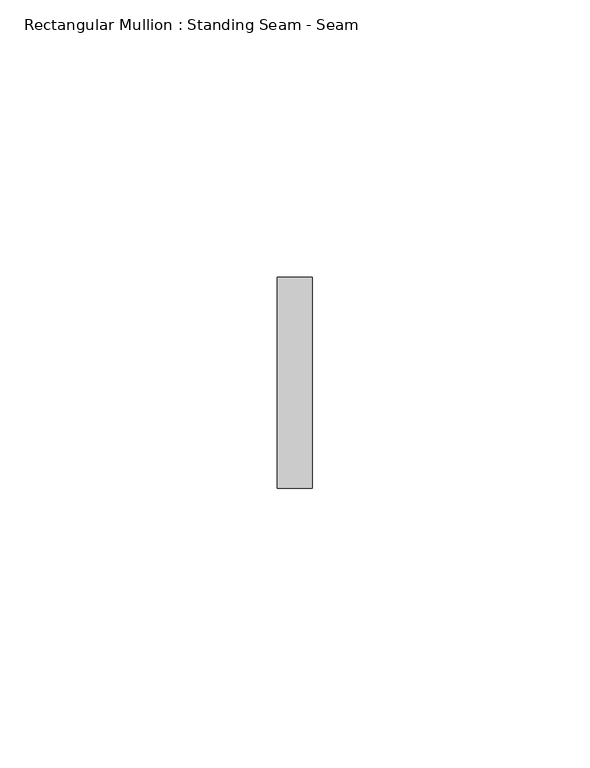
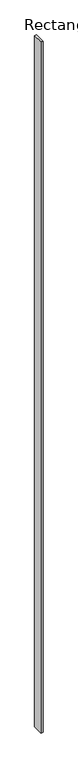
"""IFC4 building model written with IfcOpenShell, lengths in millimetres: member geometry, Rectangular Mullion : Standing Seam - Seam."""

from ifc_helpers import new_model, si_unit, frame, origin, place, context, project, spatial, polyline, outline, extrude, source, transform, mapped, element, save


def rectangular_mullion_standing_seam_seam_29b7333c(model_context):
    return source(origin(), model_context, "Body", "SweptSolid", [
        extrude(outline(polyline([(3.175, 41.275), (3.175, 3.175), (-3.175, 3.175), (-3.175, 41.275), (3.175, 41.275)])), frame((0.0, 0.0, -2517.3430221), z_axis=(0.0, 0.0, 1.0), x_axis=(1.0, 0.0, 0.0)), (0.0, 0.0, 1.0), 2517.3430221),
    ])


if __name__ == "__main__":
    model = new_model("IFC4")
    model_context = context("Model", 3, world=origin())
    ifc_project = project(units=[si_unit("LENGTHUNIT", "METRE", prefix="MILLI")], contexts=[model_context])
    site = spatial("IfcSite", under=ifc_project)
    building = spatial("IfcBuilding", under=site)
    placement = place(None, origin())
    rectangular_mullion_standing_seam_seam_shape = rectangular_mullion_standing_seam_seam_29b7333c(model_context)
    element("IfcMember", 1, ObjectType="Rectangular Mullion : Standing Seam - Seam", at=placement, inside=building, context=model_context, shape_type="MappedRepresentation", body=[
        mapped(rectangular_mullion_standing_seam_seam_shape, transform((0.0, 0.0, 0.0), x_axis=(1.0, 0.0, 0.0), y_axis=(0.0, 1.0, 0.0), z_axis=(0.0, 0.0, 1.0))),
    ])
    save(model, "model.ifc")
